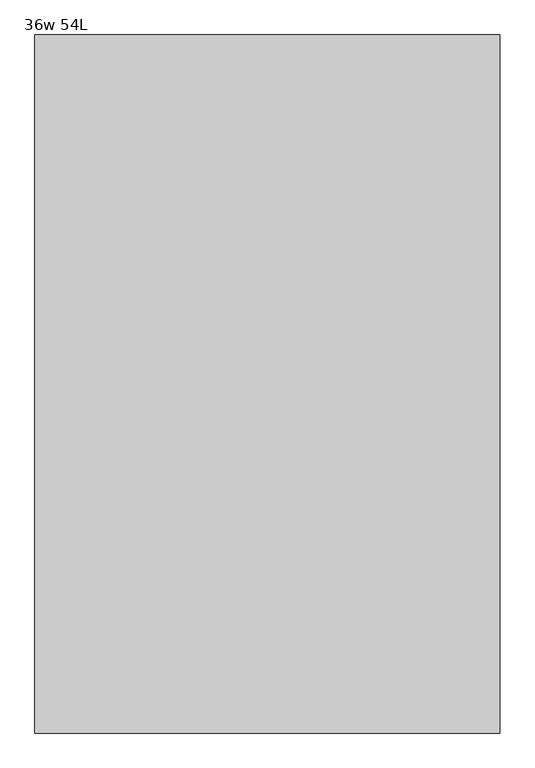
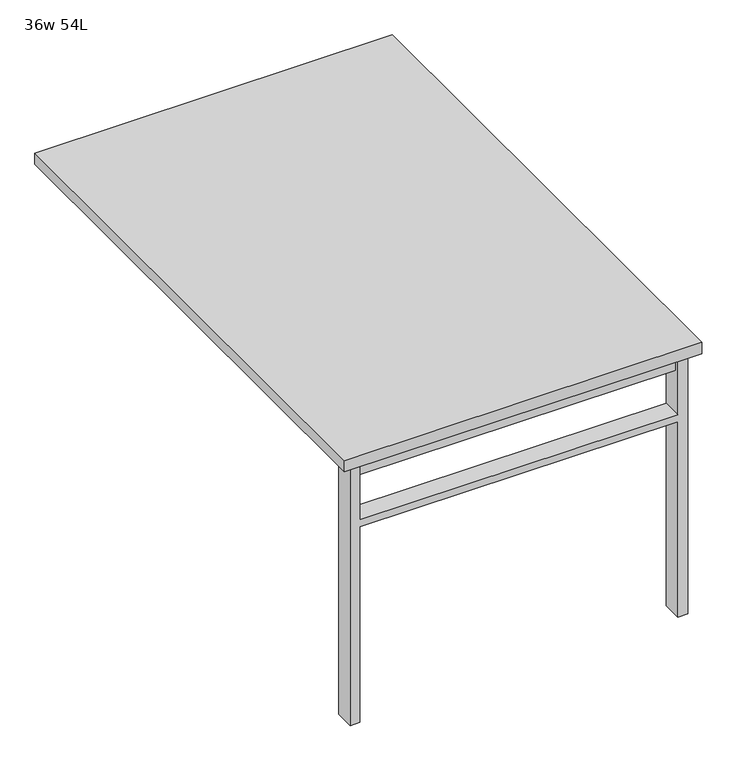
"""IFC4 building model written with IfcOpenShell, lengths in millimetres: furniture geometry, 36w 54L."""

from ifc_helpers import new_model, si_unit, frame, origin, place, context, project, spatial, polyline, outline, extrude, source, transform, mapped, element, save


def furniture_36w_54l_4540ed32(model_context):
    return source(origin(), model_context, "Body", "SweptSolid", [
        extrude(outline(polyline([(-406.4, -625.475), (406.4, -625.475), (406.4, -657.225), (-406.4, -657.225), (-406.4, -625.475)])), frame((0.0, 0.0, 661.9875), z_axis=(0.0, 0.0, 1.0), x_axis=(1.0, 0.0, 0.0)), (0.0, 0.0, 1.0), 44.45),
        extrude(outline(polyline([(528.6375, 406.4), (0.0, 406.4), (0.0, 431.8), (706.4375, 431.8), (706.4375, 406.4), (547.6875, 406.4), (547.6875, -406.4), (706.4375, -406.4), (706.4375, -431.8), (0.0, -431.8), (0.0, -406.4), (528.6375, -406.4), (528.6375, 406.4)])), frame((0.0, -666.75, 0.0), z_axis=(0.0, 1.0, 0.0), x_axis=(0.0, 0.0, 1.0)), (0.0, 0.0, 1.0), 50.8),
        extrude(outline(polyline([(-457.2, -685.8), (-457.2, 685.8), (457.2, 685.8), (457.2, -685.8), (-457.2, -685.8)])), frame((0.0, 0.0, 706.4375), z_axis=(0.0, 0.0, 1.0), x_axis=(1.0, 0.0, 0.0)), (0.0, 0.0, 1.0), 30.1625),
    ])


if __name__ == "__main__":
    model = new_model("IFC4")
    model_context = context("Model", 3, world=origin())
    ifc_project = project(units=[si_unit("LENGTHUNIT", "METRE", prefix="MILLI")], contexts=[model_context])
    site = spatial("IfcSite", under=ifc_project)
    building = spatial("IfcBuilding", under=site)
    placement = place(None, origin())
    furniture_36w_54l_shape = furniture_36w_54l_4540ed32(model_context)
    element("IfcFurniture", 1, ObjectType="36w 54L", at=placement, inside=building, context=model_context, shape_type="MappedRepresentation", body=[
        mapped(furniture_36w_54l_shape, transform((0.0, 0.0, 0.0), x_axis=(1.0, 0.0, 0.0), y_axis=(0.0, 1.0, 0.0), z_axis=(0.0, 0.0, 1.0))),
    ])
    save(model, "model.ifc")
